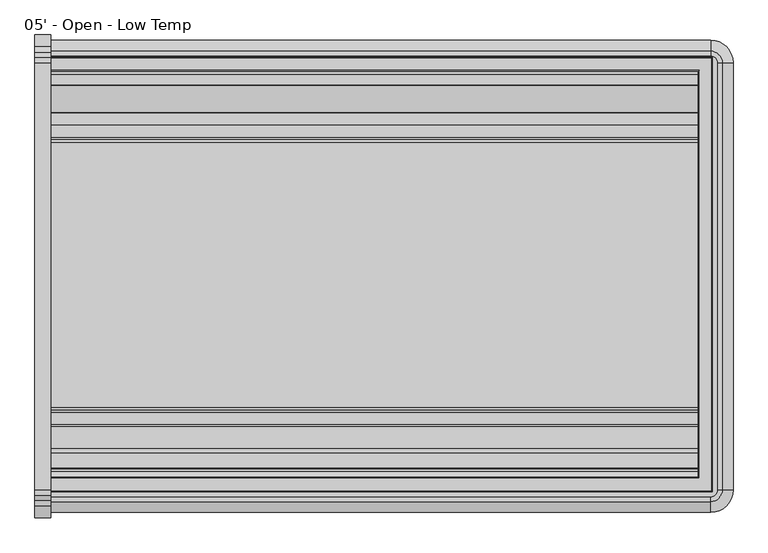
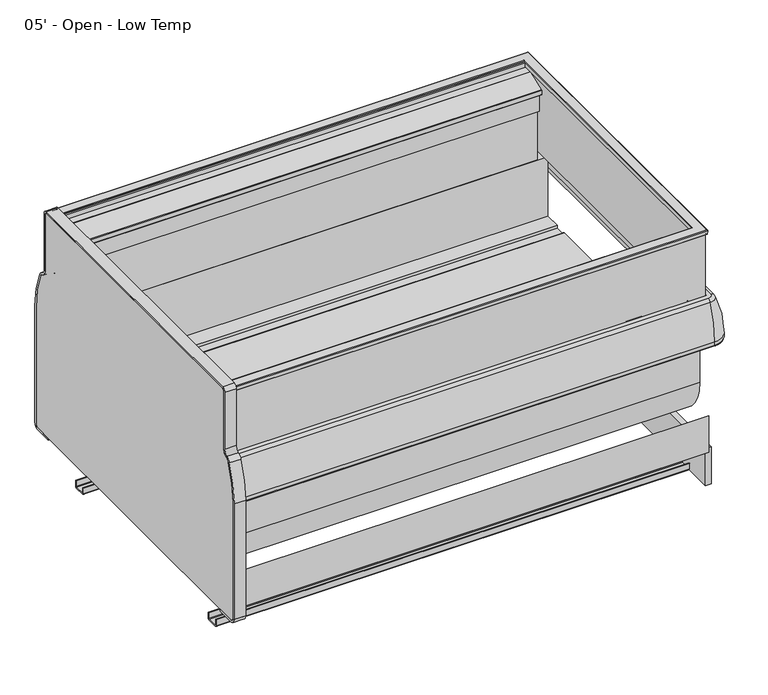
"""IFC4 building model written with IfcOpenShell, lengths in millimetres: proxy geometry, 05' - Open - Low Temp."""

from ifc_helpers import new_model, si_unit, point, frame, frame_2d, origin, place, context, project, spatial, polyline, circle_curve, ellipse_curve, trimmed, segment, composite_curve, outline, extrude, source, transform, mapped, element, save
from ifc_brep_helpers import plane_surface, cylinder_surface, revolved_surface, advanced_brep


def proxy_05_open_low_temp_3acbca03(model_context):
    return source(origin(), model_context, "Body", "SolidModel", [
        extrude(outline(composite_curve([segment(trimmed(circle_curve(frame_2d((-706.3089273, 750.8546562)), 311.15), [point((-395.1589273, 750.8546562))], [point((-421.4314087, 875.9910693))], True, "CARTESIAN"), True, "CONTINUOUS"), segment(trimmed(circle_curve(frame_2d((-438.8728894, 868.3296562)), 19.05), [point((-421.4314087, 875.9910693))], [point((-432.2872626, 886.2051148))], True, "CARTESIAN"), True, "CONTINUOUS"), segment(trimmed(circle_curve(frame_2d((-423.5064268, 910.0390596)), 25.4), [point((-432.2872626, 886.2051148))], [point((-448.9064268, 910.0390596))], False, "CARTESIAN"), True, "CONTINUOUS"), segment(polyline([(-448.9064268, 910.0390596), (-448.9064268, 1109.56602)]), True, "CONTINUOUS"), segment(trimmed(circle_curve(frame_2d((-455.2564268, 1109.56602)), 6.35), [point((-448.9064268, 1109.56602))], [point((-455.2564268, 1115.91602))], True, "CARTESIAN"), True, "CONTINUOUS"), segment(polyline([(-455.2564268, 1115.91602), (-1468.5364278, 1115.91602)]), True, "CONTINUOUS"), segment(trimmed(circle_curve(frame_2d((-1468.5364278, 1109.56602)), 6.35), [point((-1468.5364278, 1115.91602))], [point((-1474.8864278, 1109.56602))], True, "CARTESIAN"), True, "CONTINUOUS"), segment(polyline([(-1474.8864278, 1109.56602), (-1474.8864278, 910.0390596)]), True, "CONTINUOUS"), segment(trimmed(circle_curve(frame_2d((-1500.2864278, 910.0390596)), 25.4), [point((-1474.8864278, 910.0390596))], [point((-1491.505592, 886.2051148))], False, "CARTESIAN"), True, "CONTINUOUS"), segment(trimmed(circle_curve(frame_2d((-1484.9199652, 868.3296562)), 19.05), [point((-1491.505592, 886.2051148))], [point((-1502.3614459, 875.9910693))], True, "CARTESIAN"), True, "CONTINUOUS"), segment(trimmed(circle_curve(frame_2d((-1217.4839273, 750.8546562)), 311.15), [point((-1502.3614459, 875.9910693))], [point((-1528.6339273, 750.8546562))], True, "CARTESIAN"), True, "CONTINUOUS"), segment(polyline([(-1528.6339273, 750.8546562), (-1528.6339273, 344.70852)]), True, "CONTINUOUS"), segment(trimmed(circle_curve(frame_2d((-1515.9339273, 344.70852)), 12.7), [point((-1528.6339273, 344.70852))], [point((-1515.9339273, 332.00852))], True, "CARTESIAN"), True, "CONTINUOUS"), segment(polyline([(-1515.9339273, 332.00852), (-1455.9322513, 332.00852), (-1455.9322513, 325.65852), (-1515.9339273, 325.65852)]), True, "CONTINUOUS"), segment(trimmed(circle_curve(frame_2d((-1515.9339273, 344.70852)), 19.05), [point((-1515.9339273, 325.65852))], [point((-1534.9839273, 344.70852))], False, "CARTESIAN"), True, "CONTINUOUS"), segment(polyline([(-1534.9839273, 344.70852), (-1534.9839273, 750.8546562)]), True, "CONTINUOUS"), segment(trimmed(circle_curve(frame_2d((-1217.4839273, 750.8546562)), 317.5), [point((-1534.9839273, 750.8546562))], [point((-1508.1752729, 878.5448736))], False, "CARTESIAN"), True, "CONTINUOUS"), segment(trimmed(circle_curve(frame_2d((-1484.9199652, 868.3296562)), 25.4), [point((-1508.1752729, 878.5448736))], [point((-1493.700801, 892.163601))], False, "CARTESIAN"), True, "CONTINUOUS"), segment(trimmed(circle_curve(frame_2d((-1500.2864278, 910.0390596)), 19.05), [point((-1493.700801, 892.163601))], [point((-1481.2364278, 910.0390596))], True, "CARTESIAN"), True, "CONTINUOUS"), segment(polyline([(-1481.2364278, 910.0390596), (-1481.2364278, 1109.56602)]), True, "CONTINUOUS"), segment(trimmed(circle_curve(frame_2d((-1468.5364278, 1109.56602)), 12.7), [point((-1481.2364278, 1109.56602))], [point((-1468.5364278, 1122.26602))], False, "CARTESIAN"), True, "CONTINUOUS"), segment(polyline([(-1468.5364278, 1122.26602), (-455.2564268, 1122.26602)]), True, "CONTINUOUS"), segment(trimmed(circle_curve(frame_2d((-455.2564268, 1109.56602)), 12.7), [point((-455.2564268, 1122.26602))], [point((-442.5564268, 1109.56602))], False, "CARTESIAN"), True, "CONTINUOUS"), segment(polyline([(-442.5564268, 1109.56602), (-442.5564268, 910.0390596)]), True, "CONTINUOUS"), segment(trimmed(circle_curve(frame_2d((-423.5064268, 910.0390596)), 19.05), [point((-442.5564268, 910.0390596))], [point((-430.0920536, 892.163601))], True, "CARTESIAN"), True, "CONTINUOUS"), segment(trimmed(circle_curve(frame_2d((-438.8728894, 868.3296562)), 25.4), [point((-430.0920536, 892.163601))], [point((-415.6175817, 878.5448736))], False, "CARTESIAN"), True, "CONTINUOUS"), segment(trimmed(circle_curve(frame_2d((-706.3089273, 750.8546562)), 317.5), [point((-415.6175817, 878.5448736))], [point((-388.8089273, 750.8546562))], False, "CARTESIAN"), True, "CONTINUOUS"), segment(polyline([(-388.8089273, 750.8546562), (-388.8089273, 344.70852)]), True, "CONTINUOUS"), segment(trimmed(circle_curve(frame_2d((-407.8589273, 344.70852)), 19.05), [point((-388.8089273, 344.70852))], [point((-407.8589273, 325.65852))], False, "CARTESIAN"), True, "CONTINUOUS"), segment(polyline([(-407.8589273, 325.65852), (-466.0942513, 325.65852), (-466.0942513, 332.00852), (-407.8589273, 332.00852)]), True, "CONTINUOUS"), segment(trimmed(circle_curve(frame_2d((-407.8589273, 344.70852)), 12.7), [point((-407.8589273, 332.00852))], [point((-395.1589273, 344.70852))], True, "CARTESIAN"), True, "CONTINUOUS"), segment(polyline([(-395.1589273, 344.70852), (-395.1589273, 750.8546562)]), True, "CONTINUOUS")], self_intersect=False)), frame((-38.1, 0.0, 0.0), z_axis=(1.0, 0.0, 0.0), x_axis=(0.0, 1.0, 0.0)), (0.0, 0.0, 1.0), 38.1),
        extrude(outline(composite_curve([segment(polyline([(-395.1589273, 750.8546562), (-395.1589273, 344.70852)]), True, "CONTINUOUS"), segment(trimmed(circle_curve(frame_2d((-407.8589273, 344.70852)), 12.7), [point((-395.1589273, 344.70852))], [point((-407.8589273, 332.00852))], False, "CARTESIAN"), True, "CONTINUOUS"), segment(polyline([(-407.8589273, 332.00852), (-1515.9339273, 332.00852)]), True, "CONTINUOUS"), segment(trimmed(circle_curve(frame_2d((-1515.9339273, 344.70852)), 12.7), [point((-1515.9339273, 332.00852))], [point((-1528.6339273, 344.70852))], False, "CARTESIAN"), True, "CONTINUOUS"), segment(polyline([(-1528.6339273, 344.70852), (-1528.6339273, 750.8546562)]), True, "CONTINUOUS"), segment(trimmed(circle_curve(frame_2d((-1217.4839273, 750.8546562)), 311.15), [point((-1528.6339273, 750.8546562))], [point((-1502.3614459, 875.9910693))], False, "CARTESIAN"), True, "CONTINUOUS"), segment(trimmed(circle_curve(frame_2d((-1484.9199652, 868.3296562)), 19.05), [point((-1502.3614459, 875.9910693))], [point((-1491.505592, 886.2051148))], False, "CARTESIAN"), True, "CONTINUOUS"), segment(trimmed(circle_curve(frame_2d((-1500.2864278, 910.0390596)), 25.4), [point((-1491.505592, 886.2051148))], [point((-1474.8864278, 910.0390596))], True, "CARTESIAN"), True, "CONTINUOUS"), segment(polyline([(-1474.8864278, 910.0390596), (-1474.8864278, 1109.56602)]), True, "CONTINUOUS"), segment(trimmed(circle_curve(frame_2d((-1468.5364278, 1109.56602)), 6.35), [point((-1474.8864278, 1109.56602))], [point((-1468.5364278, 1115.91602))], False, "CARTESIAN"), True, "CONTINUOUS"), segment(polyline([(-1468.5364278, 1115.91602), (-455.2564268, 1115.91602)]), True, "CONTINUOUS"), segment(trimmed(circle_curve(frame_2d((-455.2564268, 1109.56602)), 6.35), [point((-455.2564268, 1115.91602))], [point((-448.9064268, 1109.56602))], False, "CARTESIAN"), True, "CONTINUOUS"), segment(polyline([(-448.9064268, 1109.56602), (-448.9064268, 910.0390596)]), True, "CONTINUOUS"), segment(trimmed(circle_curve(frame_2d((-423.5064268, 910.0390596)), 25.4), [point((-448.9064268, 910.0390596))], [point((-432.2872626, 886.2051148))], True, "CARTESIAN"), True, "CONTINUOUS"), segment(trimmed(circle_curve(frame_2d((-438.8728894, 868.3296562)), 19.05), [point((-432.2872626, 886.2051148))], [point((-421.4314087, 875.9910693))], False, "CARTESIAN"), True, "CONTINUOUS"), segment(trimmed(circle_curve(frame_2d((-706.3089273, 750.8546562)), 311.15), [point((-421.4314087, 875.9910693))], [point((-395.1589273, 750.8546562))], False, "CARTESIAN"), True, "CONTINUOUS")], self_intersect=False)), frame((-38.1, 0.0, 0.0), z_axis=(1.0, 0.0, 0.0), x_axis=(0.0, 1.0, 0.0)), (0.0, 0.0, 1.0), 38.1),
        extrude(outline(polyline([(1593.049374, -466.0942513), (1593.049374, -1455.9322513), (1572.9148438, -1455.9322513), (1572.9148438, -466.0942513), (1593.049374, -466.0942513)])), frame((0.0, 0.0, 202.18277), z_axis=(0.0, 0.0, 1.0), x_axis=(1.0, 0.0, 0.0)), (0.0, 0.0, 1.0), 129.82575),
        extrude(outline(composite_curve([segment(trimmed(circle_curve(frame_2d((-631.6006513, 595.49542)), 6.35), [point((-637.6294873, 593.50152))], [point((-631.6006513, 589.14542))], True, "CARTESIAN"), True, "CONTINUOUS"), segment(polyline([(-631.6006513, 589.14542), (-603.0256513, 589.14542), (-603.0256513, 586.78322), (-1312.6508513, 586.78322), (-1312.6508513, 589.14542), (-1284.0758513, 589.14542)]), True, "CONTINUOUS"), segment(trimmed(circle_curve(frame_2d((-1284.0758513, 595.49542)), 6.35), [point((-1284.0758513, 589.14542))], [point((-1278.0470154, 593.50152))], True, "CARTESIAN"), True, "CONTINUOUS"), segment(trimmed(circle_curve(frame_2d((-1272.0181794, 591.50762)), 6.35), [point((-1278.0470154, 593.50152))], [point((-1272.0181794, 597.85762))], False, "CARTESIAN"), True, "CONTINUOUS"), segment(polyline([(-1272.0181794, 597.85762), (-643.6583232, 597.85762)]), True, "CONTINUOUS"), segment(trimmed(circle_curve(frame_2d((-643.6583232, 591.50762)), 6.35), [point((-643.6583232, 597.85762))], [point((-637.6294873, 593.50152))], False, "CARTESIAN"), True, "CONTINUOUS")], self_intersect=False)), frame((0.0, 0.0, 0.0), z_axis=(1.0, 0.0, 0.0), x_axis=(0.0, 1.0, 0.0)), (0.0, 0.0, 1.0), 1572.9148438),
        extrude(outline(polyline([(-1323.1509772, 332.00852), (-1475.9703113, 332.00852), (-1475.9703113, 460.2391669), (-1323.1509772, 332.00852)])), frame((0.0, 0.0, 0.0), z_axis=(1.0, 0.0, 0.0), x_axis=(0.0, 1.0, 0.0)), (0.0, 0.0, 1.0), 1572.9148438),
        extrude(outline(composite_curve([segment(polyline([(-1320.1946513, 227.08747), (-1320.1946513, 207.33897)]), True, "CONTINUOUS"), segment(trimmed(circle_curve(frame_2d((-1325.3508513, 207.33897)), 5.1562), [point((-1320.1946513, 207.33897))], [point((-1325.3508513, 202.18277))], False, "CARTESIAN"), True, "CONTINUOUS"), segment(polyline([(-1325.3508513, 202.18277), (-1360.5361197, 202.18277)]), True, "CONTINUOUS"), segment(trimmed(circle_curve(frame_2d((-1360.5361197, 207.33897)), 5.1562), [point((-1360.5361197, 202.18277))], [point((-1365.6923197, 207.33897))], False, "CARTESIAN"), True, "CONTINUOUS"), segment(polyline([(-1365.6923197, 207.33897), (-1365.6923197, 227.07477), (-1362.6507513, 227.07477), (-1362.6507513, 207.33897)]), True, "CONTINUOUS"), segment(trimmed(circle_curve(frame_2d((-1360.2631513, 207.33897)), 2.3876), [point((-1362.6507513, 207.33897))], [point((-1360.2631513, 204.95137))], True, "CARTESIAN"), True, "CONTINUOUS"), segment(polyline([(-1360.2631513, 204.95137), (-1325.3508513, 204.95137)]), True, "CONTINUOUS"), segment(trimmed(circle_curve(frame_2d((-1325.3508513, 207.33897)), 2.3876), [point((-1325.3508513, 204.95137))], [point((-1322.9632513, 207.33897))], True, "CARTESIAN"), True, "CONTINUOUS"), segment(polyline([(-1322.9632513, 207.33897), (-1322.9632513, 227.08747), (-1320.1946513, 227.08747)]), True, "CONTINUOUS")], self_intersect=False)), frame((0.0, 0.0, 0.0), z_axis=(1.0, 0.0, 0.0), x_axis=(0.0, 1.0, 0.0)), (0.0, 0.0, 1.0), 1572.9148438),
        extrude(outline(composite_curve([segment(polyline([(-601.8318513, 227.08747), (-599.0632513, 227.08747), (-599.0632513, 207.33897)]), True, "CONTINUOUS"), segment(trimmed(circle_curve(frame_2d((-596.6756513, 207.33897)), 2.3876), [point((-599.0632513, 207.33897))], [point((-596.6756513, 204.95137))], True, "CARTESIAN"), True, "CONTINUOUS"), segment(polyline([(-596.6756513, 204.95137), (-561.7633513, 204.95137)]), True, "CONTINUOUS"), segment(trimmed(circle_curve(frame_2d((-561.7633513, 207.33897)), 2.3876), [point((-561.7633513, 204.95137))], [point((-559.3757513, 207.33897))], True, "CARTESIAN"), True, "CONTINUOUS"), segment(polyline([(-559.3757513, 207.33897), (-559.3757513, 227.07477), (-556.6071513, 227.07477), (-556.6071513, 207.33897)]), True, "CONTINUOUS"), segment(trimmed(circle_curve(frame_2d((-561.7633513, 207.33897)), 5.1562), [point((-556.6071513, 207.33897))], [point((-561.7633513, 202.18277))], False, "CARTESIAN"), True, "CONTINUOUS"), segment(polyline([(-561.7633513, 202.18277), (-596.6756513, 202.18277)]), True, "CONTINUOUS"), segment(trimmed(circle_curve(frame_2d((-596.6756513, 207.33897)), 5.1562), [point((-596.6756513, 202.18277))], [point((-601.8318513, 207.33897))], False, "CARTESIAN"), True, "CONTINUOUS"), segment(polyline([(-601.8318513, 207.33897), (-601.8318513, 227.08747)]), True, "CONTINUOUS")], self_intersect=False)), frame((0.0, 0.0, 0.0), z_axis=(1.0, 0.0, 0.0), x_axis=(0.0, 1.0, 0.0)), (0.0, 0.0, 1.0), 1572.9148438),
        extrude(outline(polyline([(1538.4859375, -535.8055412), (1538.4859375, -559.6180412), (0.0, -559.6180412), (0.0, -535.8055412), (1538.4859375, -535.8055412)])), frame((0.0, 0.0, 986.69352), z_axis=(0.0, 0.0, 1.0), x_axis=(1.0, 0.0, 0.0)), (0.0, 0.0, 1.0), 76.2),
        extrude(outline(composite_curve([segment(polyline([(-559.6180412, 1062.89352), (-559.6180412, 1051.0452374), (-571.7875237, 1051.0452374)]), True, "CONTINUOUS"), segment(trimmed(circle_curve(frame_2d((-571.7875237, 1053.3566374)), 2.3114), [point((-571.7875237, 1051.0452374))], [point((-574.0989237, 1053.3566374))], False, "CARTESIAN"), True, "CONTINUOUS"), segment(polyline([(-574.0989237, 1053.3566374), (-574.0989237, 1067.7909777)]), True, "CONTINUOUS"), segment(trimmed(circle_curve(frame_2d((-571.7875237, 1067.7909777)), 2.3114), [point((-574.0989237, 1067.7909777))], [point((-572.578069, 1069.9629832))], False, "CARTESIAN"), True, "CONTINUOUS"), segment(polyline([(-572.578069, 1069.9629832), (-507.7688069, 1093.5516255)]), True, "CONTINUOUS"), segment(trimmed(circle_curve(frame_2d((-506.9782615, 1091.37962)), 2.3114), [point((-507.7688069, 1093.5516255))], [point((-506.9782615, 1093.69102))], False, "CARTESIAN"), True, "CONTINUOUS"), segment(polyline([(-506.9782615, 1093.69102), (-482.2433533, 1093.69102), (-482.2433533, 840.41492), (-498.2829273, 840.41492), (-498.2829273, 808.60777), (-549.0765773, 808.60777), (-549.0765773, 986.69352), (-535.8055412, 986.69352), (-535.8055412, 1062.89352), (-559.6180412, 1062.89352)]), True, "CONTINUOUS")], self_intersect=False)), frame((0.0, 0.0, 0.0), z_axis=(1.0, 0.0, 0.0), x_axis=(0.0, 1.0, 0.0)), (0.0, 0.0, 1.0), 1538.4859375),
        extrude(outline(composite_curve([segment(trimmed(circle_curve(frame_2d((-1417.1508503, 841.4633151)), 1.0483951), [point((-1417.1508503, 840.41492))], [point((-1418.1992454, 841.4633151))], False, "CARTESIAN"), True, "CONTINUOUS"), segment(polyline([(-1418.1992454, 841.4633151), (-1418.1992454, 861.3823037)]), True, "CONTINUOUS"), segment(trimmed(circle_curve(frame_2d((-1416.8146291, 861.3823037)), 1.3846163), [point((-1418.1992454, 861.3823037))], [point((-1416.8146291, 862.76692))], False, "CARTESIAN"), True, "CONTINUOUS"), segment(polyline([(-1416.8146291, 862.76692), (-1380.8816013, 862.76692), (-1380.8816013, 840.41492), (-1417.1508503, 840.41492)]), True, "CONTINUOUS")], self_intersect=False)), frame((0.0, 0.0, 0.0), z_axis=(1.0, 0.0, 0.0), x_axis=(0.0, 1.0, 0.0)), (0.0, 0.0, 1.0), 1538.4859375),
        extrude(outline(polyline([(1538.4859375, -1371.3566013), (1538.4859375, -1380.8816013), (0.0, -1380.8816013), (0.0, -1371.3566013), (1538.4859375, -1371.3566013)])), frame((0.0, 0.0, 830.58512), z_axis=(0.0, 0.0, 1.0), x_axis=(1.0, 0.0, 0.0)), (0.0, 0.0, 1.0), 156.1084),
        extrude(outline(composite_curve([segment(polyline([(-498.2829273, 808.60777), (-498.2829273, 567.7232408)]), True, "CONTINUOUS"), segment(trimmed(circle_curve(frame_2d((-650.6829273, 567.7232408)), 152.4), [point((-498.2829273, 567.7232408))], [point((-645.364244, 415.4160788))], False, "CARTESIAN"), True, "CONTINUOUS"), segment(polyline([(-645.364244, 415.4160788), (-1266.4759331, 393.268902)]), True, "CONTINUOUS"), segment(trimmed(circle_curve(frame_2d((-1271.9033854, 545.4803582)), 152.3081897), [point((-1266.4759331, 393.268902))], [point((-1424.2105725, 546.0329855))], False, "CARTESIAN"), True, "CONTINUOUS"), segment(polyline([(-1424.2105725, 546.0329855), (-1424.2105725, 840.41492), (-1380.8816013, 840.41492), (-1380.8816013, 830.58512), (-1371.3566013, 830.58512), (-1371.3566013, 599.8346341), (-1319.1220273, 599.8346341), (-1319.1220273, 582.1562341), (-602.2578273, 582.1562341), (-602.2578273, 599.34352), (-549.0765773, 599.34352), (-549.0765773, 808.60777), (-498.2829273, 808.60777)]), True, "CONTINUOUS")], self_intersect=False)), frame((0.0, 0.0, 0.0), z_axis=(1.0, 0.0, 0.0), x_axis=(0.0, 1.0, 0.0)), (0.0, 0.0, 1.0), 1572.9148438),
        advanced_brep(
        [(0.0, -1468.5687513, 1099.2231802), (0.0, -1469.9408252, 1096.6426846), (0.0, -1472.8095089, 1097.3049725), (0.0, -1473.2477185, 1109.8536533), (0.0, -1470.9377266, 1112.24572), (0.0, -1441.7098388, 1112.24572), (0.0, -1439.3984388, 1109.93432), (0.0, -1439.3984388, 1097.94552), (0.0, -1441.5812513, 1097.94552), (0.0, -1441.5812513, 1108.82942), (0.0, -1468.5687513, 1108.82942), (0.0, -446.0758361, 1099.2231802), (0.0, -446.0758361, 1108.82942), (0.0, -473.0633361, 1108.82942), (0.0, -473.0633361, 1097.94552), (0.0, -475.2461486, 1097.94552), (0.0, -475.2461486, 1109.93432), (0.0, -472.9347486, 1112.24572), (0.0, -443.7068608, 1112.24572), (0.0, -441.3968689, 1109.8536533), (0.0, -441.8350785, 1097.3049725), (0.0, -444.7037622, 1096.6426846), (1565.534824, -446.0758361, 1099.2231802), (1565.534824, -446.0758361, 1108.82942), (1565.534824, -1468.5687513, 1108.82942), (1538.547324, -1441.5812513, 1108.82942), (1538.547324, -473.0633361, 1108.82942), (1538.547324, -473.0633361, 1097.94552), (1538.547324, -1441.5812513, 1097.94552), (1536.3645115, -1439.3984388, 1097.94552), (1536.3645115, -475.2461486, 1097.94552), (1536.3645115, -475.2461486, 1109.93432), (1538.6759115, -472.9347486, 1112.24572), (1538.6759115, -1441.7098388, 1112.24572), (1567.9037993, -1470.9377266, 1112.24572), (1567.9037993, -443.7068608, 1112.24572), (1570.2137912, -441.3968689, 1109.8536533), (1569.7755816, -441.8350785, 1097.3049725), (1566.9068979, -444.7037622, 1096.6426846), (1565.534824, -1468.5687513, 1099.2231802), (1536.3645115, -1439.3984388, 1109.93432), (1570.2137912, -1473.2477185, 1109.8536533), (1569.7755816, -1472.8095089, 1097.3049725), (1566.9068979, -1469.9408252, 1096.6426846)],
        [
            (0, 1),
            (1, 2, circle_curve(frame((0.0, -1471.2864373, 1097.3581593), z_axis=(-1.0, 0.0, 0.0), x_axis=(0.0, -1.0, 0.0)), 1.524)),
            (2, 3),
            (3, 4, circle_curve(frame((0.0, -1470.9377266, 1109.93432), z_axis=(-1.0, 0.0, 0.0), x_axis=(0.0, -1.0, 0.0)), 2.3114)),
            (4, 5),
            (5, 6, circle_curve(frame((0.0, -1441.7098388, 1109.93432), z_axis=(-1.0, 0.0, 0.0), x_axis=(0.0, -1.0, 0.0)), 2.3114)),
            (6, 7),
            (7, 8),
            (8, 9),
            (9, 10),
            (10, 0),
            (11, 12),
            (12, 13),
            (13, 14),
            (14, 15),
            (15, 16),
            (16, 17, circle_curve(frame((0.0, -472.9347486, 1109.93432), z_axis=(-1.0, 0.0, 0.0), x_axis=(0.0, 1.0, 0.0)), 2.3114)),
            (17, 18),
            (18, 19, circle_curve(frame((0.0, -443.7068608, 1109.93432), z_axis=(-1.0, 0.0, 0.0), x_axis=(0.0, 1.0, 0.0)), 2.3114)),
            (19, 20),
            (20, 21, circle_curve(frame((0.0, -443.3581501, 1097.3581593), z_axis=(-1.0, 0.0, 0.0), x_axis=(0.0, 1.0, 0.0)), 1.524)),
            (21, 11),
            (11, 22),
            (22, 23),
            (23, 12),
            (23, 24),
            (24, 10),
            (9, 25),
            (25, 26),
            (26, 13),
            (26, 27),
            (27, 14),
            (27, 28),
            (28, 8),
            (7, 29),
            (29, 30),
            (30, 15),
            (30, 31),
            (31, 16),
            (31, 32, ellipse_curve(frame((1538.6759115, -472.9347486, 1109.93432), z_axis=(-0.7071067811865475, 0.7071067811865475, 0.0), x_axis=(-0.7071067811865476, -0.7071067811865474, 0.0)), 3.2688132, 2.3114)),
            (32, 17),
            (32, 33),
            (33, 5),
            (4, 34),
            (34, 35),
            (35, 18),
            (35, 36, ellipse_curve(frame((1567.9037993, -443.7068608, 1109.93432), z_axis=(-0.7071067811865475, 0.7071067811865475, 0.0), x_axis=(-0.7071067811865476, -0.7071067811865474, 0.0)), 3.2688132, 2.3114)),
            (36, 19),
            (36, 37),
            (37, 20),
            (37, 38, ellipse_curve(frame((1568.25251, -443.3581501, 1097.3581593), z_axis=(-0.7071067811865475, 0.7071067811865475, 0.0), x_axis=(-0.7071067811865476, -0.7071067811865474, 0.0)), 2.1552615, 1.524)),
            (38, 21),
            (38, 22),
            (22, 39),
            (39, 24),
            (25, 28),
            (29, 40),
            (40, 31),
            (40, 33, ellipse_curve(frame((1538.6759115, -1441.7098388, 1109.93432), z_axis=(0.7071067811865475, 0.7071067811865475, 0.0), x_axis=(-0.7071067811865474, 0.7071067811865476, 0.0)), 3.2688132, 2.3114)),
            (34, 41, ellipse_curve(frame((1567.9037993, -1470.9377266, 1109.93432), z_axis=(0.7071067811865475, 0.7071067811865475, 0.0), x_axis=(-0.7071067811865474, 0.7071067811865476, 0.0)), 3.2688132, 2.3114)),
            (41, 36),
            (41, 42),
            (42, 37),
            (42, 43, ellipse_curve(frame((1568.25251, -1471.2864373, 1097.3581593), z_axis=(0.7071067811865475, 0.7071067811865475, 0.0), x_axis=(-0.7071067811865474, 0.7071067811865476, 0.0)), 2.1552615, 1.524)),
            (43, 38),
            (43, 39),
            (39, 0),
            (6, 40),
            (3, 41),
            (2, 42),
            (1, 43),
        ],
        [
            plane_surface(frame((0.0, -1522.2839273, 844.55), z_axis=(-1.0, 0.0, 0.0), x_axis=(0.0, 0.0, 1.0))),
            plane_surface(frame((0.0, -392.3606601, 844.55), z_axis=(-1.0, 0.0, 0.0), x_axis=(0.0, 0.0, 1.0))),
            plane_surface(frame((0.0, -446.0758361, 1099.2231802), z_axis=(0.0, -1.0, 0.0), x_axis=(1.0, 0.0, 0.0))),
            plane_surface(frame((0.0, -446.0758361, 1108.82942), z_axis=(0.0, 0.0, -1.0), x_axis=(1.0, 0.0, 0.0))),
            plane_surface(frame((0.0, -473.0633361, 1108.82942), z_axis=(0.0, 1.0, 0.0), x_axis=(1.0, 0.0, 0.0))),
            plane_surface(frame((0.0, -473.0633361, 1097.94552), z_axis=(0.0, 0.0, -1.0), x_axis=(1.0, 0.0, 0.0))),
            plane_surface(frame((0.0, -475.2461486, 1097.94552), z_axis=(0.0, -1.0, 0.0), x_axis=(1.0, 0.0, 0.0))),
            cylinder_surface(frame((0.0, -472.9347486, 1109.93432), z_axis=(-1.0, 0.0, 0.0), x_axis=(0.0, 1.0, 0.0)), 2.3114),
            plane_surface(frame((0.0, -472.9347486, 1112.24572), z_axis=(0.0, 0.0, 1.0), x_axis=(1.0, 0.0, 0.0))),
            cylinder_surface(frame((0.0, -443.7068608, 1109.93432), z_axis=(-1.0, 0.0, 0.0), x_axis=(0.0, 1.0, 0.0)), 2.3114),
            plane_surface(frame((0.0, -441.3968689, 1109.8536533), z_axis=(0.0, 0.9993908270194976, -0.03489949669099775), x_axis=(1.0, 0.0, 0.0))),
            cylinder_surface(frame((0.0, -443.3581501, 1097.3581593), z_axis=(-1.0, 0.0, 0.0), x_axis=(0.0, 1.0, 0.0)), 1.524),
            plane_surface(frame((0.0, -444.7037622, 1096.6426846), z_axis=(0.0, -0.8829475928207327, -0.469471562857724), x_axis=(1.0, 0.0, 0.0))),
            plane_surface(frame((1565.534824, -446.0758361, 1099.2231802), z_axis=(-1.0, 0.0, 0.0), x_axis=(0.0, -1.0, 0.0))),
            plane_surface(frame((1538.547324, -473.0633361, 1108.82942), z_axis=(1.0, 0.0, 0.0), x_axis=(0.0, -1.0, 0.0))),
            plane_surface(frame((1536.3645115, -475.2461486, 1097.94552), z_axis=(-1.0, 0.0, 0.0), x_axis=(0.0, -1.0, 0.0))),
            cylinder_surface(frame((1538.6759115, -392.3606601, 1109.93432), z_axis=(0.0, 1.0, 0.0), x_axis=(1.0, 0.0, 0.0)), 2.3114),
            cylinder_surface(frame((1567.9037993, -392.3606601, 1109.93432), z_axis=(0.0, 1.0, 0.0), x_axis=(1.0, 0.0, 0.0)), 2.3114),
            plane_surface(frame((1570.2137912, -441.3968689, 1109.8536533), z_axis=(0.9993908270194976, 0.0, -0.03489949669099775), x_axis=(0.0, -1.0, 0.0))),
            cylinder_surface(frame((1568.25251, -392.3606601, 1097.3581593), z_axis=(0.0, 1.0, 0.0), x_axis=(1.0, 0.0, 0.0)), 1.524),
            plane_surface(frame((1566.9068979, -444.7037622, 1096.6426846), z_axis=(-0.8829475928207327, 0.0, -0.469471562857724), x_axis=(0.0, -1.0, 0.0))),
            plane_surface(frame((1565.534824, -1468.5687513, 1099.2231802), z_axis=(0.0, 1.0, 0.0), x_axis=(-1.0, 0.0, 0.0))),
            plane_surface(frame((1538.547324, -1441.5812513, 1108.82942), z_axis=(0.0, -1.0, 0.0), x_axis=(-1.0, 0.0, 0.0))),
            plane_surface(frame((1536.3645115, -1439.3984388, 1097.94552), z_axis=(0.0, 1.0, 0.0), x_axis=(-1.0, 0.0, 0.0))),
            cylinder_surface(frame((1619.25, -1441.7098388, 1109.93432), z_axis=(1.0, 0.0, 0.0), x_axis=(0.0, -1.0, 0.0)), 2.3114),
            cylinder_surface(frame((1619.25, -1470.9377266, 1109.93432), z_axis=(1.0, 0.0, 0.0), x_axis=(0.0, -1.0, 0.0)), 2.3114),
            plane_surface(frame((1570.2137912, -1473.2477185, 1109.8536533), z_axis=(0.0, -0.9993908270194976, -0.03489949669099775), x_axis=(-1.0, 0.0, 0.0))),
            cylinder_surface(frame((1619.25, -1471.2864373, 1097.3581593), z_axis=(1.0, 0.0, 0.0), x_axis=(0.0, -1.0, 0.0)), 1.524),
            plane_surface(frame((1566.9068979, -1469.9408252, 1096.6426846), z_axis=(0.0, 0.8829475928207327, -0.469471562857724), x_axis=(-1.0, 0.0, 0.0))),
        ],
        [
            (0, [[1, 2, 3, 4, 5, 6, 7, 8, 9, 10, 11]]),
            (1, [[12, 13, 14, 15, 16, 17, 18, 19, 20, 21, 22]]),
            (2, [[-12, 23, 24, 25]]),
            (3, [[-13, -25, 26, 27, -10, 28, 29, 30]]),
            (4, [[-14, -30, 31, 32]]),
            (5, [[-15, -32, 33, 34, -8, 35, 36, 37]]),
            (6, [[-16, -37, 38, 39]]),
            (7, [[-17, -39, 40, 41]]),
            (8, [[-18, -41, 42, 43, -5, 44, 45, 46]]),
            (9, [[-19, -46, 47, 48]]),
            (10, [[-20, -48, 49, 50]]),
            (11, [[-21, -50, 51, 52]]),
            (12, [[-22, -52, 53, -23]]),
            (13, [[-24, 54, 55, -26]]),
            (14, [[-31, -29, 56, -33]]),
            (15, [[-38, -36, 57, 58]]),
            (16, [[-40, -58, 59, -42]]),
            (17, [[-47, -45, 60, 61]]),
            (18, [[-49, -61, 62, 63]]),
            (19, [[-51, -63, 64, 65]]),
            (20, [[-53, -65, 66, -54]]),
            (21, [[-55, 67, -11, -27]]),
            (22, [[-56, -28, -9, -34]]),
            (23, [[-57, -35, -7, 68]]),
            (24, [[-59, -68, -6, -43]]),
            (25, [[-60, -44, -4, 69]]),
            (26, [[-62, -69, -3, 70]]),
            (27, [[-64, -70, -2, 71]]),
            (28, [[-66, -71, -1, -67]]),
        ],
    ),
        extrude(outline(polyline([(0.0, -482.2433533), (0.0, -455.2564268), (1565.5025005, -455.2564268), (1565.5025005, -1468.5364278), (0.0, -1468.5364278), (0.0, -1441.5495013), (1538.515574, -1441.5495013), (1538.515574, -482.2433533), (0.0, -482.2433533)])), frame((0.0, 0.0, 840.41492), z_axis=(0.0, 0.0, 1.0), x_axis=(1.0, 0.0, 0.0)), (0.0, 0.0, 1.0), 268.4145),
        advanced_brep(
        [(0.0, -438.8728894, 881.0296562), (0.0, -452.8208821, 881.0296562), (1565.91, -452.8208821, 881.0296562), (1567.9380452, -454.8489273, 881.0296562), (1567.9380452, -1468.9439273, 881.0296562), (1565.91, -1470.9719725, 881.0296562), (0.0, -1470.9719725, 881.0296562), (0.0, -1484.9199652, 881.0296562), (1565.91, -1484.9199652, 881.0296562), (1581.8860379, -1468.9439273, 881.0296562), (1581.8860379, -454.8489273, 881.0296562), (1565.91, -438.8728894, 881.0296562), (0.0, -427.2452356, 873.4372649), (1565.91, -427.2452356, 873.4372649), (0.0, -401.5089273, 750.8546562), (1565.91, -401.5089273, 750.8546562), (0.0, -401.5089273, 739.0203101), (1565.91, -401.5089273, 739.0203101), (0.0, -405.6318205, 733.6472511), (1565.91, -405.6318205, 733.6472511), (0.0, -412.7928603, 731.7284562), (1565.91, -412.7928603, 731.7284562), (0.0, -427.7095533, 731.7284562), (1607.966067, -454.8489273, 731.7284562), (1607.966067, -1468.9439273, 731.7284562), (1565.91, -1510.9999943, 731.7284562), (0.0, -1510.9999943, 731.7284562), (0.0, -1496.0833013, 731.7284562), (1565.91, -1496.0833013, 731.7284562), (1593.049374, -1468.9439273, 731.7284562), (1593.049374, -454.8489273, 731.7284562), (1565.91, -427.7095533, 731.7284562), (1593.5136917, -454.8489273, 873.4372649), (1619.25, -454.8489273, 750.8546562), (1619.25, -454.8489273, 739.0203101), (1615.1271068, -454.8489273, 733.6472511), (1593.5136917, -1468.9439273, 873.4372649), (1619.25, -1468.9439273, 750.8546562), (1619.25, -1468.9439273, 739.0203101), (1615.1271068, -1468.9439273, 733.6472511), (1565.91, -1496.547619, 873.4372649), (1565.91, -1522.2839273, 750.8546562), (1565.91, -1522.2839273, 739.0203101), (1565.91, -1518.1610341, 733.6472511), (0.0, -1470.9719725, 840.41492), (0.0, -1475.9703113, 840.41492), (0.0, -1475.9703113, 773.39702), (0.0, -1496.0833013, 773.39702), (0.0, -1518.1610341, 733.6472511), (0.0, -1522.2839273, 739.0203101), (0.0, -1522.2839273, 750.8546562), (0.0, -1496.547619, 873.4372649), (0.0, -427.7095533, 773.39702), (0.0, -447.8225433, 773.39702), (0.0, -447.8225433, 840.41492), (0.0, -452.8208821, 840.41492), (1565.91, -427.7095533, 773.39702), (1593.049374, -454.8489273, 773.39702), (1593.049374, -1468.9439273, 773.39702), (1565.91, -1496.0833013, 773.39702), (1565.91, -1475.9703113, 773.39702), (1572.936384, -1468.9439273, 773.39702), (1572.936384, -454.8489273, 773.39702), (1565.91, -447.8225433, 773.39702), (1565.91, -447.8225433, 840.41492), (1572.936384, -454.8489273, 840.41492), (1572.936384, -1468.9439273, 840.41492), (1565.91, -1475.9703113, 840.41492), (1565.91, -1470.9719725, 840.41492), (1567.9380452, -1468.9439273, 840.41492), (1567.9380452, -454.8489273, 840.41492), (1565.91, -452.8208821, 840.41492)],
        [
            (0, 1),
            (1, 2),
            (2, 3, circle_curve(frame((1565.91, -454.8489273, 881.0296562), z_axis=(0.0, 0.0, -1.0), x_axis=(0.0, 1.0, 0.0)), 2.0280452)),
            (3, 4),
            (4, 5, circle_curve(frame((1565.91, -1468.9439273, 881.0296562), z_axis=(0.0, 0.0, -1.0), x_axis=(1.0, 0.0, 0.0)), 2.0280452)),
            (5, 6),
            (6, 7),
            (7, 8),
            (8, 9, circle_curve(frame((1565.91, -1468.9439273, 881.0296562), z_axis=(0.0, 0.0, 1.0), x_axis=(1.0, 0.0, 0.0)), 15.9760379)),
            (9, 10),
            (10, 11, circle_curve(frame((1565.91, -454.8489273, 881.0296562), z_axis=(0.0, 0.0, 1.0), x_axis=(0.0, 1.0, 0.0)), 15.9760379)),
            (11, 0),
            (12, 0, circle_curve(frame((0.0, -438.8728894, 868.3296562), z_axis=(1.0, 0.0, 0.0), x_axis=(0.0, 1.0, 0.0)), 12.7)),
            (11, 13, circle_curve(frame((1565.91, -438.8728894, 868.3296562), z_axis=(-1.0, 0.0, 0.0), x_axis=(0.0, 1.0, 0.0)), 12.7)),
            (13, 12),
            (14, 12, circle_curve(frame((0.0, -706.3089273, 750.8546562), z_axis=(1.0, 0.0, 0.0), x_axis=(0.0, 1.0, 0.0)), 304.8)),
            (13, 15, circle_curve(frame((1565.91, -706.3089273, 750.8546562), z_axis=(-1.0, 0.0, 0.0), x_axis=(0.0, 1.0, 0.0)), 304.8)),
            (15, 14),
            (16, 14),
            (15, 17),
            (17, 16),
            (18, 16, circle_curve(frame((0.0, -407.0715273, 739.0203101), z_axis=(1.0, 0.0, 0.0), x_axis=(0.0, 1.0, 0.0)), 5.5626)),
            (17, 19, circle_curve(frame((1565.91, -407.0715273, 739.0203101), z_axis=(-1.0, 0.0, 0.0), x_axis=(0.0, 1.0, 0.0)), 5.5626)),
            (19, 18),
            (20, 18),
            (19, 21),
            (21, 20),
            (22, 20),
            (21, 23, circle_curve(frame((1565.91, -454.8489273, 731.7284562), z_axis=(0.0, 0.0, -1.0), x_axis=(0.0, 1.0, 0.0)), 42.056067)),
            (23, 24),
            (24, 25, circle_curve(frame((1565.91, -1468.9439273, 731.7284562), z_axis=(0.0, 0.0, -1.0), x_axis=(1.0, 0.0, 0.0)), 42.056067)),
            (25, 26),
            (26, 27),
            (27, 28),
            (28, 29, circle_curve(frame((1565.91, -1468.9439273, 731.7284562), z_axis=(0.0, 0.0, 1.0), x_axis=(1.0, 0.0, 0.0)), 27.139374)),
            (29, 30),
            (30, 31, circle_curve(frame((1565.91, -454.8489273, 731.7284562), z_axis=(0.0, 0.0, 1.0), x_axis=(0.0, 1.0, 0.0)), 27.139374)),
            (31, 22),
            (32, 13, circle_curve(frame((1565.91, -454.8489273, 873.4372649), z_axis=(0.0, 0.0, 1.0), x_axis=(0.0, 1.0, 0.0)), 27.6036917)),
            (10, 32, circle_curve(frame((1581.8860379, -454.8489273, 868.3296562), z_axis=(0.0, 1.0, 0.0), x_axis=(1.0, 0.0, 0.0)), 12.7)),
            (33, 15, circle_curve(frame((1565.91, -454.8489273, 750.8546562), z_axis=(0.0, 0.0, 1.0), x_axis=(0.0, 1.0, 0.0)), 53.34)),
            (32, 33, circle_curve(frame((1314.45, -454.8489273, 750.8546562), z_axis=(0.0, 1.0, 0.0), x_axis=(1.0, 0.0, 0.0)), 304.8)),
            (34, 17, circle_curve(frame((1565.91, -454.8489273, 739.0203101), z_axis=(0.0, 0.0, 1.0), x_axis=(0.0, 1.0, 0.0)), 53.34)),
            (33, 34),
            (35, 19, circle_curve(frame((1565.91, -454.8489273, 733.6472511), z_axis=(0.0, 0.0, 1.0), x_axis=(0.0, 1.0, 0.0)), 49.2171068)),
            (34, 35, circle_curve(frame((1613.6874, -454.8489273, 739.0203101), z_axis=(0.0, 1.0, 0.0), x_axis=(1.0, 0.0, 0.0)), 5.5626)),
            (35, 23),
            (9, 36, circle_curve(frame((1581.8860379, -1468.9439273, 868.3296562), z_axis=(0.0, 1.0, 0.0), x_axis=(1.0, 0.0, 0.0)), 12.7)),
            (36, 32),
            (36, 37, circle_curve(frame((1314.45, -1468.9439273, 750.8546562), z_axis=(0.0, 1.0, 0.0), x_axis=(1.0, 0.0, 0.0)), 304.8)),
            (37, 33),
            (37, 38),
            (38, 34),
            (38, 39, circle_curve(frame((1613.6874, -1468.9439273, 739.0203101), z_axis=(0.0, 1.0, 0.0), x_axis=(1.0, 0.0, 0.0)), 5.5626)),
            (39, 35),
            (39, 24),
            (40, 36, circle_curve(frame((1565.91, -1468.9439273, 873.4372649), z_axis=(0.0, 0.0, 1.0), x_axis=(1.0, 0.0, 0.0)), 27.6036917)),
            (8, 40, circle_curve(frame((1565.91, -1484.9199652, 868.3296562), z_axis=(1.0, 0.0, 0.0), x_axis=(0.0, -1.0, 0.0)), 12.7)),
            (41, 37, circle_curve(frame((1565.91, -1468.9439273, 750.8546562), z_axis=(0.0, 0.0, 1.0), x_axis=(1.0, 0.0, 0.0)), 53.34)),
            (40, 41, circle_curve(frame((1565.91, -1217.4839273, 750.8546562), z_axis=(1.0, 0.0, 0.0), x_axis=(0.0, -1.0, 0.0)), 304.8)),
            (42, 38, circle_curve(frame((1565.91, -1468.9439273, 739.0203101), z_axis=(0.0, 0.0, 1.0), x_axis=(1.0, 0.0, 0.0)), 53.34)),
            (41, 42),
            (43, 39, circle_curve(frame((1565.91, -1468.9439273, 733.6472511), z_axis=(0.0, 0.0, 1.0), x_axis=(1.0, 0.0, 0.0)), 49.2171068)),
            (42, 43, circle_curve(frame((1565.91, -1516.7213273, 739.0203101), z_axis=(1.0, 0.0, 0.0), x_axis=(0.0, -1.0, 0.0)), 5.5626)),
            (43, 25),
            (6, 44),
            (44, 45),
            (45, 46),
            (46, 47),
            (47, 27),
            (26, 48),
            (48, 49, circle_curve(frame((0.0, -1516.7213273, 739.0203101), z_axis=(-1.0, 0.0, 0.0), x_axis=(0.0, -1.0, 0.0)), 5.5626)),
            (49, 50),
            (50, 51, circle_curve(frame((0.0, -1217.4839273, 750.8546562), z_axis=(-1.0, 0.0, 0.0), x_axis=(0.0, -1.0, 0.0)), 304.8)),
            (51, 7, circle_curve(frame((0.0, -1484.9199652, 868.3296562), z_axis=(-1.0, 0.0, 0.0), x_axis=(0.0, -1.0, 0.0)), 12.7)),
            (51, 40),
            (50, 41),
            (49, 42),
            (48, 43),
            (22, 52),
            (52, 53),
            (53, 54),
            (54, 55),
            (55, 1),
            (52, 56),
            (56, 57, circle_curve(frame((1565.91, -454.8489273, 773.39702), z_axis=(0.0, 0.0, -1.0), x_axis=(0.0, 1.0, 0.0)), 27.139374)),
            (57, 58),
            (58, 59, circle_curve(frame((1565.91, -1468.9439273, 773.39702), z_axis=(0.0, 0.0, -1.0), x_axis=(1.0, 0.0, 0.0)), 27.139374)),
            (59, 47),
            (46, 60),
            (60, 61, circle_curve(frame((1565.91, -1468.9439273, 773.39702), z_axis=(0.0, 0.0, 1.0), x_axis=(1.0, 0.0, 0.0)), 7.026384)),
            (61, 62),
            (62, 63, circle_curve(frame((1565.91, -454.8489273, 773.39702), z_axis=(0.0, 0.0, 1.0), x_axis=(0.0, 1.0, 0.0)), 7.026384)),
            (63, 53),
            (54, 64),
            (64, 65, circle_curve(frame((1565.91, -454.8489273, 840.41492), z_axis=(0.0, 0.0, -1.0), x_axis=(0.0, 1.0, 0.0)), 7.026384)),
            (65, 66),
            (66, 67, circle_curve(frame((1565.91, -1468.9439273, 840.41492), z_axis=(0.0, 0.0, -1.0), x_axis=(1.0, 0.0, 0.0)), 7.026384)),
            (67, 45),
            (44, 68),
            (68, 69, circle_curve(frame((1565.91, -1468.9439273, 840.41492), z_axis=(0.0, 0.0, 1.0), x_axis=(1.0, 0.0, 0.0)), 2.0280452)),
            (69, 70),
            (70, 71, circle_curve(frame((1565.91, -454.8489273, 840.41492), z_axis=(0.0, 0.0, 1.0), x_axis=(0.0, 1.0, 0.0)), 2.0280452)),
            (71, 55),
            (31, 56),
            (63, 64),
            (71, 2),
            (30, 57),
            (62, 65),
            (70, 3),
            (29, 58),
            (61, 66),
            (69, 4),
            (28, 59),
            (60, 67),
            (68, 5),
        ],
        [
            plane_surface(frame((0.0, -452.8208821, 881.0296562), z_axis=(0.0, 0.0, 1.0), x_axis=(1.0, 0.0, 0.0))),
            cylinder_surface(frame((0.0, -438.8728894, 868.3296562), z_axis=(-1.0, 0.0, 0.0), x_axis=(0.0, 1.0, 0.0)), 12.7),
            cylinder_surface(frame((0.0, -706.3089273, 750.8546562), z_axis=(-1.0, 0.0, 0.0), x_axis=(0.0, 1.0, 0.0)), 304.8),
            plane_surface(frame((0.0, -401.5089273, 750.8546562), z_axis=(0.0, 1.0, 0.0), x_axis=(1.0, 0.0, 0.0))),
            cylinder_surface(frame((0.0, -407.0715273, 739.0203101), z_axis=(-1.0, 0.0, 0.0), x_axis=(0.0, 1.0, 0.0)), 5.5626),
            plane_surface(frame((0.0, -405.6318205, 733.6472511), z_axis=(0.0, 0.25881904531072714, -0.9659258262332796), x_axis=(1.0, 0.0, 0.0))),
            plane_surface(frame((0.0, -412.7928603, 731.7284562), z_axis=(0.0, 0.0, -1.0), x_axis=(1.0, 0.0, 0.0))),
            revolved_surface(trimmed(ellipse_curve(frame((1565.91, -438.8728894, 868.3296562), z_axis=(-1.0, 0.0, 0.0), x_axis=(0.0, 1.0, 0.0)), 12.7, 12.7), [point((1565.91, -438.8728894, 881.0296562))], [point((1565.91, -427.2452356, 873.4372649))], True, "CARTESIAN"), (1565.91, -454.8489273, 0.0), (0.0, 0.0, -1.0)),
            revolved_surface(trimmed(ellipse_curve(frame((1565.91, -706.3089273, 750.8546562), z_axis=(-1.0, 0.0, 0.0), x_axis=(0.0, 1.0, 0.0)), 304.8, 304.8), [point((1565.91, -427.2452356, 873.4372649))], [point((1565.91, -401.5089273, 750.8546562))], True, "CARTESIAN"), (1565.91, -454.8489273, 0.0), (0.0, 0.0, -1.0)),
            cylinder_surface(frame((1565.91, -454.8489273, 0.0), z_axis=(0.0, 0.0, -1.0), x_axis=(0.0, 1.0, 0.0)), 53.34),
            revolved_surface(trimmed(ellipse_curve(frame((1565.91, -407.0715273, 739.0203101), z_axis=(-1.0, 0.0, 0.0), x_axis=(0.0, 1.0, 0.0)), 5.5626, 5.5626), [point((1565.91, -401.5089273, 739.0203101))], [point((1565.91, -405.6318205, 733.6472511))], True, "CARTESIAN"), (1565.91, -454.8489273, 0.0), (0.0, 0.0, -1.0)),
            revolved_surface(polyline([(1565.91, -405.6318205, 733.6472511), (1565.91, -412.7928603, 731.7284562)]), (1565.91, -454.8489273, 0.0), (0.0, 0.0, -1.0)),
            cylinder_surface(frame((1581.8860379, -454.8489273, 868.3296562), z_axis=(0.0, 1.0, 0.0), x_axis=(1.0, 0.0, 0.0)), 12.7),
            cylinder_surface(frame((1314.45, -454.8489273, 750.8546562), z_axis=(0.0, 1.0, 0.0), x_axis=(1.0, 0.0, 0.0)), 304.8),
            plane_surface(frame((1619.25, -454.8489273, 750.8546562), z_axis=(1.0, 0.0, 0.0), x_axis=(0.0, -1.0, 0.0))),
            cylinder_surface(frame((1613.6874, -454.8489273, 739.0203101), z_axis=(0.0, 1.0, 0.0), x_axis=(1.0, 0.0, 0.0)), 5.5626),
            plane_surface(frame((1615.1271068, -454.8489273, 733.6472511), z_axis=(0.25881904531072714, 0.0, -0.9659258262332796), x_axis=(0.0, -1.0, 0.0))),
            revolved_surface(trimmed(ellipse_curve(frame((1581.8860379, -1468.9439273, 868.3296562), z_axis=(0.0, 1.0, 0.0), x_axis=(1.0, 0.0, 0.0)), 12.7, 12.7), [point((1581.8860379, -1468.9439273, 881.0296562))], [point((1593.5136917, -1468.9439273, 873.4372649))], True, "CARTESIAN"), (1565.91, -1468.9439273, 0.0), (0.0, 0.0, -1.0)),
            revolved_surface(trimmed(ellipse_curve(frame((1314.45, -1468.9439273, 750.8546562), z_axis=(0.0, 1.0, 0.0), x_axis=(1.0, 0.0, 0.0)), 304.8, 304.8), [point((1593.5136917, -1468.9439273, 873.4372649))], [point((1619.25, -1468.9439273, 750.8546562))], True, "CARTESIAN"), (1565.91, -1468.9439273, 0.0), (0.0, 0.0, -1.0)),
            cylinder_surface(frame((1565.91, -1468.9439273, 0.0), z_axis=(0.0, 0.0, -1.0), x_axis=(1.0, 0.0, 0.0)), 53.34),
            revolved_surface(trimmed(ellipse_curve(frame((1613.6874, -1468.9439273, 739.0203101), z_axis=(0.0, 1.0, 0.0), x_axis=(1.0, 0.0, 0.0)), 5.5626, 5.5626), [point((1619.25, -1468.9439273, 739.0203101))], [point((1615.1271068, -1468.9439273, 733.6472511))], True, "CARTESIAN"), (1565.91, -1468.9439273, 0.0), (0.0, 0.0, -1.0)),
            revolved_surface(polyline([(1615.1271068, -1468.9439273, 733.6472511), (1607.966067, -1468.9439273, 731.7284562)]), (1565.91, -1468.9439273, 0.0), (0.0, 0.0, -1.0)),
            plane_surface(frame((0.0, -1522.2839273, 0.0), z_axis=(-1.0, 0.0, 0.0), x_axis=(0.0, 0.0, 1.0))),
            cylinder_surface(frame((1565.91, -1484.9199652, 868.3296562), z_axis=(1.0, 0.0, 0.0), x_axis=(0.0, -1.0, 0.0)), 12.7),
            cylinder_surface(frame((1565.91, -1217.4839273, 750.8546562), z_axis=(1.0, 0.0, 0.0), x_axis=(0.0, -1.0, 0.0)), 304.8),
            plane_surface(frame((1565.91, -1522.2839273, 750.8546562), z_axis=(0.0, -1.0, 0.0), x_axis=(-1.0, 0.0, 0.0))),
            cylinder_surface(frame((1565.91, -1516.7213273, 739.0203101), z_axis=(1.0, 0.0, 0.0), x_axis=(0.0, -1.0, 0.0)), 5.5626),
            plane_surface(frame((1565.91, -1518.1610341, 733.6472511), z_axis=(0.0, -0.25881904531072714, -0.9659258262332796), x_axis=(-1.0, 0.0, 0.0))),
            plane_surface(frame((0.0, -401.5089273, 0.0), z_axis=(-1.0, 0.0, 0.0), x_axis=(0.0, 0.0, 1.0))),
            plane_surface(frame((0.0, -427.7095533, 773.39702), z_axis=(0.0, 0.0, -1.0), x_axis=(1.0, 0.0, 0.0))),
            plane_surface(frame((0.0, -447.8225433, 840.41492), z_axis=(0.0, 0.0, -1.0), x_axis=(1.0, 0.0, 0.0))),
            plane_surface(frame((0.0, -427.7095533, 731.7284562), z_axis=(0.0, -1.0, 0.0), x_axis=(1.0, 0.0, 0.0))),
            plane_surface(frame((0.0, -447.8225433, 773.39702), z_axis=(0.0, -1.0, 0.0), x_axis=(1.0, 0.0, 0.0))),
            plane_surface(frame((0.0, -452.8208821, 840.41492), z_axis=(0.0, -1.0, 0.0), x_axis=(1.0, 0.0, 0.0))),
            revolved_surface(polyline([(1565.91, -427.70955330000004, 731.7284562), (1565.91, -427.70955330000004, 773.39702)]), (1565.91, -454.8489273, 0.0), (0.0, 0.0, -1.0)),
            revolved_surface(polyline([(1565.91, -447.8225433, 773.39702), (1565.91, -447.8225433, 840.41492)]), (1565.91, -454.8489273, 0.0), (0.0, 0.0, -1.0)),
            revolved_surface(polyline([(1565.91, -452.8208821, 840.41492), (1565.91, -452.8208821, 881.0296562)]), (1565.91, -454.8489273, 0.0), (0.0, 0.0, -1.0)),
            plane_surface(frame((1593.049374, -454.8489273, 731.7284562), z_axis=(-1.0, 0.0, 0.0), x_axis=(0.0, -1.0, 0.0))),
            plane_surface(frame((1572.936384, -454.8489273, 773.39702), z_axis=(-1.0, 0.0, 0.0), x_axis=(0.0, -1.0, 0.0))),
            plane_surface(frame((1567.9380452, -454.8489273, 840.41492), z_axis=(-1.0, 0.0, 0.0), x_axis=(0.0, -1.0, 0.0))),
            revolved_surface(polyline([(1593.0493740000002, -1468.9439273, 731.7284562), (1593.0493740000002, -1468.9439273, 773.39702)]), (1565.91, -1468.9439273, 0.0), (0.0, 0.0, -1.0)),
            revolved_surface(polyline([(1572.936384, -1468.9439273, 773.39702), (1572.936384, -1468.9439273, 840.41492)]), (1565.91, -1468.9439273, 0.0), (0.0, 0.0, -1.0)),
            revolved_surface(polyline([(1567.9380452, -1468.9439273, 840.41492), (1567.9380452, -1468.9439273, 881.0296562)]), (1565.91, -1468.9439273, 0.0), (0.0, 0.0, -1.0)),
            plane_surface(frame((1565.91, -1496.0833013, 731.7284562), z_axis=(0.0, 1.0, 0.0), x_axis=(-1.0, 0.0, 0.0))),
            plane_surface(frame((1565.91, -1475.9703113, 773.39702), z_axis=(0.0, 1.0, 0.0), x_axis=(-1.0, 0.0, 0.0))),
            plane_surface(frame((1565.91, -1470.9719725, 840.41492), z_axis=(0.0, 1.0, 0.0), x_axis=(-1.0, 0.0, 0.0))),
        ],
        [
            (0, [[1, 2, 3, 4, 5, 6, 7, 8, 9, 10, 11, 12]]),
            (1, [[13, -12, 14, 15]]),
            (2, [[16, -15, 17, 18]]),
            (3, [[19, -18, 20, 21]]),
            (4, [[22, -21, 23, 24]]),
            (5, [[25, -24, 26, 27]]),
            (6, [[28, -27, 29, 30, 31, 32, 33, 34, 35, 36, 37, 38]]),
            (7, [[39, -14, -11, 40]]),
            (8, [[41, -17, -39, 42]]),
            (9, [[43, -20, -41, 44]]),
            (10, [[45, -23, -43, 46]]),
            (11, [[-29, -26, -45, 47]]),
            (12, [[-40, -10, 48, 49]]),
            (13, [[-42, -49, 50, 51]]),
            (14, [[-44, -51, 52, 53]]),
            (15, [[-46, -53, 54, 55]]),
            (16, [[-47, -55, 56, -30]]),
            (17, [[57, -48, -9, 58]]),
            (18, [[59, -50, -57, 60]]),
            (19, [[61, -52, -59, 62]]),
            (20, [[63, -54, -61, 64]]),
            (21, [[-31, -56, -63, 65]]),
            (22, [[66, 67, 68, 69, 70, -33, 71, 72, 73, 74, 75, -7]]),
            (23, [[-58, -8, -75, 76]]),
            (24, [[-60, -76, -74, 77]]),
            (25, [[-62, -77, -73, 78]]),
            (26, [[-64, -78, -72, 79]]),
            (27, [[-65, -79, -71, -32]]),
            (28, [[-1, -13, -16, -19, -22, -25, -28, 80, 81, 82, 83, 84]]),
            (29, [[-81, 85, 86, 87, 88, 89, -69, 90, 91, 92, 93, 94]]),
            (30, [[-83, 95, 96, 97, 98, 99, -67, 100, 101, 102, 103, 104]]),
            (31, [[-80, -38, 105, -85]]),
            (32, [[-82, -94, 106, -95]]),
            (33, [[-84, -104, 107, -2]]),
            (34, [[-86, -105, -37, 108]]),
            (35, [[-96, -106, -93, 109]]),
            (36, [[-3, -107, -103, 110]]),
            (37, [[-108, -36, 111, -87]]),
            (38, [[-109, -92, 112, -97]]),
            (39, [[-110, -102, 113, -4]]),
            (40, [[-88, -111, -35, 114]]),
            (41, [[-98, -112, -91, 115]]),
            (42, [[-5, -113, -101, 116]]),
            (43, [[-114, -34, -70, -89]]),
            (44, [[-115, -90, -68, -99]]),
            (45, [[-116, -100, -66, -6]]),
        ],
    ),
    ])


if __name__ == "__main__":
    model = new_model("IFC4")
    model_context = context("Model", 3, world=origin())
    ifc_project = project(units=[si_unit("LENGTHUNIT", "METRE", prefix="MILLI")], contexts=[model_context])
    site = spatial("IfcSite", under=ifc_project)
    building = spatial("IfcBuilding", under=site)
    placement = place(None, origin())
    proxy_05_open_low_temp_shape = proxy_05_open_low_temp_3acbca03(model_context)
    element("IfcBuildingElementProxy", 1, Name="05' - Open - Low Temp", ObjectType="05' - Open - Low Temp", at=placement, inside=building, context=model_context, shape_type="MappedRepresentation", body=[
        mapped(proxy_05_open_low_temp_shape, transform((0.0, 0.0, 0.0), x_axis=(1.0, 0.0, 0.0), y_axis=(0.0, 1.0, 0.0), z_axis=(0.0, 0.0, 1.0))),
    ])
    save(model, "model.ifc")
